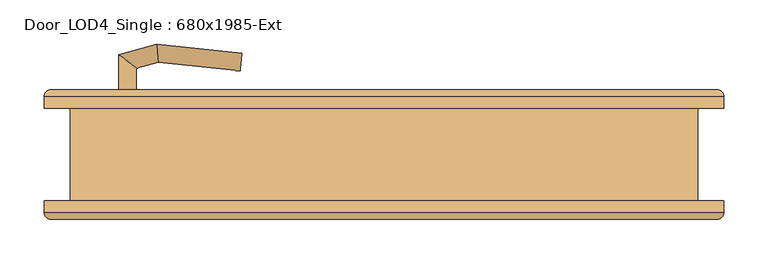
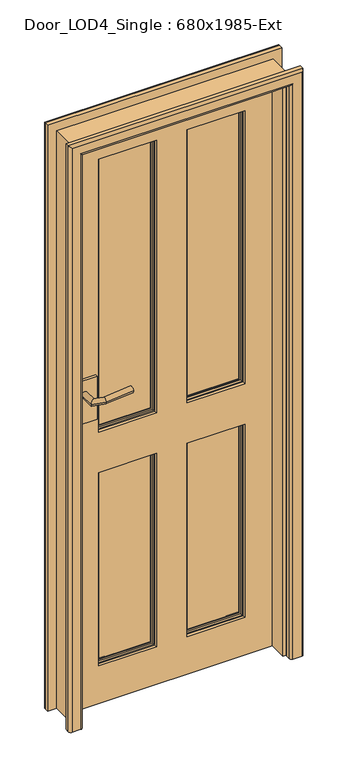
"""IFC4 building model written with IfcOpenShell, lengths in millimetres: door geometry, Door_LOD4_Single : 680x1985-Ext."""

from ifc_helpers import new_model, si_unit, frame, origin, place, context, project, spatial, polyline, circle_curve, ellipse_curve, outline, extrude, faceted_brep, source, transform, mapped, element, save
from ifc_brep_helpers import plane_surface, cylinder_surface, advanced_brep


def door_lod4_single_680x1985_ext_60f936e3(model_context):
    return source(origin(), model_context, "Body", "SolidModel", [
        advanced_brep(
        [(240.0000136, 22.5, 130.0), (240.0000136, 22.5, 800.0), (50.0, 22.5, 800.0), (50.0, 22.5, 130.0), (53.6443449, 22.5, 133.6443449), (53.6443449, 22.5, 796.3556551), (236.3556687, 22.5, 796.3556551), (236.3556687, 22.5, 133.6443449), (240.0000136, 42.5, 130.0), (50.0, 42.5, 130.0), (50.0, 42.5, 800.0), (240.0000136, 42.5, 800.0), (53.6443449, 42.5, 796.3556551), (53.6443449, 42.5, 133.6443449), (236.3556687, 42.5, 133.6443449), (236.3556687, 42.5, 796.3556551), (60.5, 34.8125, 789.5), (60.5, 34.8125, 140.5), (60.5, 37.8125, 140.5), (60.5, 37.8125, 789.5), (229.5000136, 34.8125, 140.5), (229.5000136, 37.8125, 140.5), (229.5000136, 34.8125, 789.5), (229.5000136, 37.8125, 789.5), (55.9375, 37.8125, 135.9375), (55.9375, 37.8125, 794.0625), (234.0625136, 37.8125, 794.0625), (234.0625136, 37.8125, 135.9375), (60.5, 27.1875, 789.5), (60.5, 27.1875, 140.5), (60.5, 30.1875, 140.5), (60.5, 30.1875, 789.5), (229.5000136, 27.1875, 140.5), (229.5000136, 30.1875, 140.5), (229.5000136, 27.1875, 789.5), (229.5000136, 30.1875, 789.5), (55.9375, 27.1875, 794.0625), (55.9375, 27.1875, 135.9375), (234.0625136, 27.1875, 135.9375), (234.0625136, 27.1875, 794.0625)],
        [
            (0, 1),
            (1, 2),
            (2, 3),
            (3, 0),
            (4, 5),
            (5, 6),
            (6, 7),
            (7, 4),
            (8, 9),
            (9, 10),
            (10, 11),
            (11, 8),
            (12, 13),
            (13, 14),
            (14, 15),
            (15, 12),
            (0, 8),
            (11, 1),
            (10, 2),
            (9, 3),
            (16, 17),
            (17, 18),
            (18, 19),
            (19, 16),
            (17, 20),
            (20, 21),
            (21, 18),
            (20, 22),
            (22, 23),
            (23, 21),
            (24, 25),
            (25, 26),
            (26, 27),
            (27, 24),
            (23, 19),
            (22, 16),
            (24, 13, ellipse_curve(frame((50.0, 37.8125, 130.0), z_axis=(-0.7071067811865475, 0.0, 0.7071067811865475), x_axis=(-0.7071067811865474, 0.0, -0.7071067811865476)), 8.396893, 5.9375)),
            (12, 25, ellipse_curve(frame((50.0, 37.8125, 800.0), z_axis=(-0.7071067811865475, 0.0, -0.7071067811865475), x_axis=(0.7071067811865474, 0.0, -0.7071067811865476)), 8.396893, 5.9375)),
            (27, 14, ellipse_curve(frame((240.0000136, 37.8125, 130.0), z_axis=(-0.7071067811865475, 0.0, -0.7071067811865475), x_axis=(0.7071067811865476, 0.0, -0.7071067811865474)), 8.396893, 5.9375)),
            (26, 15, ellipse_curve(frame((240.0000136, 37.8125, 800.0), z_axis=(0.7071067811865475, 0.0, -0.7071067811865475), x_axis=(0.7071067811865474, 0.0, 0.7071067811865476)), 8.396893, 5.9375)),
            (28, 29),
            (29, 30),
            (30, 31),
            (31, 28),
            (29, 32),
            (32, 33),
            (33, 30),
            (32, 34),
            (34, 35),
            (35, 33),
            (36, 37),
            (37, 38),
            (38, 39),
            (39, 36),
            (28, 34),
            (31, 35),
            (36, 5, ellipse_curve(frame((50.0, 27.1875, 800.0), z_axis=(-0.7071067811865475, 0.0, -0.7071067811865475), x_axis=(0.7071067811865474, 0.0, -0.7071067811865476)), 8.396893, 5.9375)),
            (4, 37, ellipse_curve(frame((50.0, 27.1875, 130.0), z_axis=(-0.7071067811865475, 0.0, 0.7071067811865475), x_axis=(-0.7071067811865474, 0.0, -0.7071067811865476)), 8.396893, 5.9375)),
            (7, 38, ellipse_curve(frame((240.0000136, 27.1875, 130.0), z_axis=(-0.7071067811865475, 0.0, -0.7071067811865475), x_axis=(0.7071067811865476, 0.0, -0.7071067811865474)), 8.396893, 5.9375)),
            (6, 39, ellipse_curve(frame((240.0000136, 27.1875, 800.0), z_axis=(0.7071067811865475, 0.0, -0.7071067811865475), x_axis=(0.7071067811865474, 0.0, 0.7071067811865476)), 8.396893, 5.9375)),
        ],
        [
            plane_surface(frame((240.0000136, 22.5, 130.0), z_axis=(0.0, -1.0, 0.0), x_axis=(0.0, 0.0, 1.0))),
            plane_surface(frame((240.0000136, 42.5, 130.0), z_axis=(0.0, 1.0, 0.0), x_axis=(0.0, 0.0, -1.0))),
            plane_surface(frame((240.0000136, 22.5, 130.0), z_axis=(1.0, 0.0, 0.0), x_axis=(0.0, 1.0, 0.0))),
            plane_surface(frame((240.0000136, 22.5, 800.0), z_axis=(0.0, 0.0, 1.0), x_axis=(0.0, 1.0, 0.0))),
            plane_surface(frame((50.0, 22.5, 800.0), z_axis=(-1.0, 0.0, 0.0), x_axis=(0.0, 1.0, 0.0))),
            plane_surface(frame((50.0, 22.5, 130.0), z_axis=(0.0, 0.0, -1.0), x_axis=(0.0, 1.0, 0.0))),
            plane_surface(frame((60.5, 37.8125, 789.5), z_axis=(1.0, 0.0, 0.0), x_axis=(0.0, 0.0, -1.0))),
            plane_surface(frame((60.5, 37.8125, 140.5), z_axis=(0.0, 0.0, 1.0), x_axis=(1.0, 0.0, 0.0))),
            plane_surface(frame((229.5000136, 37.8125, 140.5), z_axis=(-1.0, 0.0, 0.0), x_axis=(0.0, 0.0, 1.0))),
            plane_surface(frame((234.0625136, 37.8125, 794.0625), z_axis=(0.0, 1.0, 0.0), x_axis=(-1.0, 0.0, 0.0))),
            plane_surface(frame((229.5000136, 37.8125, 789.5), z_axis=(0.0, 0.0, -1.0), x_axis=(-1.0, 0.0, 0.0))),
            plane_surface(frame((229.5000136, 34.8125, 789.5), z_axis=(0.0, 1.0, 0.0), x_axis=(-1.0, 0.0, 0.0))),
            cylinder_surface(frame((50.0, 37.8125, 800.0), z_axis=(0.0, 0.0, -1.0), x_axis=(-1.0, 0.0, 0.0)), 5.9375),
            cylinder_surface(frame((50.0, 37.8125, 130.0), z_axis=(1.0, 0.0, 0.0), x_axis=(0.0, 0.0, -1.0)), 5.9375),
            cylinder_surface(frame((240.0000136, 37.8125, 130.0), z_axis=(0.0, 0.0, 1.0), x_axis=(1.0, 0.0, 0.0)), 5.9375),
            cylinder_surface(frame((240.0000136, 37.8125, 800.0), z_axis=(-1.0, 0.0, 0.0), x_axis=(0.0, 0.0, 1.0)), 5.9375),
            plane_surface(frame((60.5, 30.1875, 789.5), z_axis=(1.0, 0.0, 0.0), x_axis=(0.0, 0.0, -1.0))),
            plane_surface(frame((60.5, 30.1875, 140.5), z_axis=(0.0, 0.0, 1.0), x_axis=(1.0, 0.0, 0.0))),
            plane_surface(frame((229.5000136, 30.1875, 140.5), z_axis=(-1.0, 0.0, 0.0), x_axis=(0.0, 0.0, 1.0))),
            plane_surface(frame((229.5000136, 27.1875, 789.5), z_axis=(0.0, -1.0, 0.0), x_axis=(-1.0, 0.0, 0.0))),
            plane_surface(frame((229.5000136, 30.1875, 789.5), z_axis=(0.0, 0.0, -1.0), x_axis=(-1.0, 0.0, 0.0))),
            plane_surface(frame((206.5442612, 30.1875, 766.5442476), z_axis=(0.0, -1.0, 0.0), x_axis=(-1.0, 0.0, 0.0))),
            cylinder_surface(frame((50.0, 27.1875, 800.0), z_axis=(0.0, 0.0, -1.0), x_axis=(1.0, 0.0, 0.0)), 5.9375),
            cylinder_surface(frame((50.0, 27.1875, 130.0), z_axis=(1.0, 0.0, 0.0), x_axis=(0.0, 0.0, 1.0)), 5.9375),
            cylinder_surface(frame((240.0000136, 27.1875, 130.0), z_axis=(0.0, 0.0, 1.0), x_axis=(-1.0, 0.0, 0.0)), 5.9375),
            cylinder_surface(frame((240.0000136, 27.1875, 800.0), z_axis=(-1.0, 0.0, 0.0), x_axis=(0.0, 0.0, -1.0)), 5.9375),
        ],
        [
            (0, [[1, 2, 3, 4], [5, 6, 7, 8]]),
            (1, [[9, 10, 11, 12], [13, 14, 15, 16]]),
            (2, [[-1, 17, -12, 18]]),
            (3, [[-2, -18, -11, 19]]),
            (4, [[-3, -19, -10, 20]]),
            (5, [[-4, -20, -9, -17]]),
            (6, [[21, 22, 23, 24]]),
            (7, [[-22, 25, 26, 27]]),
            (8, [[-26, 28, 29, 30]]),
            (9, [[31, 32, 33, 34], [-23, -27, -30, 35]]),
            (10, [[-24, -35, -29, 36]]),
            (11, [[-21, -36, -28, -25]]),
            (12, [[-31, 37, -13, 38]]),
            (13, [[-34, 39, -14, -37]]),
            (14, [[-33, 40, -15, -39]]),
            (15, [[-32, -38, -16, -40]]),
            (16, [[41, 42, 43, 44]]),
            (17, [[-42, 45, 46, 47]]),
            (18, [[-46, 48, 49, 50]]),
            (19, [[51, 52, 53, 54], [-41, 55, -48, -45]]),
            (20, [[-44, 56, -49, -55]]),
            (21, [[-43, -47, -50, -56]]),
            (22, [[-51, 57, -5, 58]]),
            (23, [[-52, -58, -8, 59]]),
            (24, [[-53, -59, -7, 60]]),
            (25, [[-54, -60, -6, -57]]),
        ],
    ),
        advanced_brep(
        [(-50.0, 22.5, 130.0), (-50.0, 22.5, 800.0), (-240.0000136, 22.5, 800.0), (-240.0000136, 22.5, 130.0), (-236.3556687, 22.5, 133.6443449), (-236.3556687, 22.5, 796.3556551), (-53.6443449, 22.5, 796.3556551), (-53.6443449, 22.5, 133.6443449), (-50.0, 42.5, 130.0), (-240.0000136, 42.5, 130.0), (-240.0000136, 42.5, 800.0), (-50.0, 42.5, 800.0), (-236.3556687, 42.5, 796.3556551), (-236.3556687, 42.5, 133.6443449), (-53.6443449, 42.5, 133.6443449), (-53.6443449, 42.5, 796.3556551), (-229.5000136, 34.8125, 789.5), (-229.5000136, 34.8125, 140.5), (-229.5000136, 37.8125, 140.5), (-229.5000136, 37.8125, 789.5), (-60.5, 34.8125, 140.5), (-60.5, 37.8125, 140.5), (-60.5, 34.8125, 789.5), (-60.5, 37.8125, 789.5), (-234.0625136, 37.8125, 135.9375), (-234.0625136, 37.8125, 794.0625), (-55.9375, 37.8125, 794.0625), (-55.9375, 37.8125, 135.9375), (-229.5000136, 27.1875, 789.5), (-229.5000136, 27.1875, 140.5), (-229.5000136, 30.1875, 140.5), (-229.5000136, 30.1875, 789.5), (-60.5, 27.1875, 140.5), (-60.5, 30.1875, 140.5), (-60.5, 27.1875, 789.5), (-60.5, 30.1875, 789.5), (-234.0625136, 27.1875, 794.0625), (-234.0625136, 27.1875, 135.9375), (-55.9375, 27.1875, 135.9375), (-55.9375, 27.1875, 794.0625)],
        [
            (0, 1),
            (1, 2),
            (2, 3),
            (3, 0),
            (4, 5),
            (5, 6),
            (6, 7),
            (7, 4),
            (8, 9),
            (9, 10),
            (10, 11),
            (11, 8),
            (12, 13),
            (13, 14),
            (14, 15),
            (15, 12),
            (0, 8),
            (11, 1),
            (10, 2),
            (9, 3),
            (16, 17),
            (17, 18),
            (18, 19),
            (19, 16),
            (17, 20),
            (20, 21),
            (21, 18),
            (20, 22),
            (22, 23),
            (23, 21),
            (24, 25),
            (25, 26),
            (26, 27),
            (27, 24),
            (23, 19),
            (22, 16),
            (24, 13, ellipse_curve(frame((-240.0000136, 37.8125, 130.0), z_axis=(-0.7071067811865475, 0.0, 0.7071067811865475), x_axis=(-0.7071067811865474, 0.0, -0.7071067811865476)), 8.396893, 5.9375)),
            (12, 25, ellipse_curve(frame((-240.0000136, 37.8125, 800.0), z_axis=(-0.7071067811865475, 0.0, -0.7071067811865475), x_axis=(0.7071067811865474, 0.0, -0.7071067811865476)), 8.396893, 5.9375)),
            (27, 14, ellipse_curve(frame((-50.0, 37.8125, 130.0), z_axis=(-0.7071067811865475, 0.0, -0.7071067811865475), x_axis=(0.7071067811865476, 0.0, -0.7071067811865474)), 8.396893, 5.9375)),
            (26, 15, ellipse_curve(frame((-50.0, 37.8125, 800.0), z_axis=(0.7071067811865475, 0.0, -0.7071067811865475), x_axis=(0.7071067811865474, 0.0, 0.7071067811865476)), 8.396893, 5.9375)),
            (28, 29),
            (29, 30),
            (30, 31),
            (31, 28),
            (29, 32),
            (32, 33),
            (33, 30),
            (32, 34),
            (34, 35),
            (35, 33),
            (36, 37),
            (37, 38),
            (38, 39),
            (39, 36),
            (28, 34),
            (31, 35),
            (36, 5, ellipse_curve(frame((-240.0000136, 27.1875, 800.0), z_axis=(-0.7071067811865475, 0.0, -0.7071067811865475), x_axis=(0.7071067811865474, 0.0, -0.7071067811865476)), 8.396893, 5.9375)),
            (4, 37, ellipse_curve(frame((-240.0000136, 27.1875, 130.0), z_axis=(-0.7071067811865475, 0.0, 0.7071067811865475), x_axis=(-0.7071067811865474, 0.0, -0.7071067811865476)), 8.396893, 5.9375)),
            (7, 38, ellipse_curve(frame((-50.0, 27.1875, 130.0), z_axis=(-0.7071067811865475, 0.0, -0.7071067811865475), x_axis=(0.7071067811865476, 0.0, -0.7071067811865474)), 8.396893, 5.9375)),
            (6, 39, ellipse_curve(frame((-50.0, 27.1875, 800.0), z_axis=(0.7071067811865475, 0.0, -0.7071067811865475), x_axis=(0.7071067811865474, 0.0, 0.7071067811865476)), 8.396893, 5.9375)),
        ],
        [
            plane_surface(frame((-50.0, 22.5, 130.0), z_axis=(0.0, -1.0, 0.0), x_axis=(0.0, 0.0, 1.0))),
            plane_surface(frame((-50.0, 42.5, 130.0), z_axis=(0.0, 1.0, 0.0), x_axis=(0.0, 0.0, -1.0))),
            plane_surface(frame((-50.0, 22.5, 130.0), z_axis=(1.0, 0.0, 0.0), x_axis=(0.0, 1.0, 0.0))),
            plane_surface(frame((-50.0, 22.5, 800.0), z_axis=(0.0, 0.0, 1.0), x_axis=(0.0, 1.0, 0.0))),
            plane_surface(frame((-240.0000136, 22.5, 800.0), z_axis=(-1.0, 0.0, 0.0), x_axis=(0.0, 1.0, 0.0))),
            plane_surface(frame((-240.0000136, 22.5, 130.0), z_axis=(0.0, 0.0, -1.0), x_axis=(0.0, 1.0, 0.0))),
            plane_surface(frame((-229.5000136, 37.8125, 789.5), z_axis=(1.0, 0.0, 0.0), x_axis=(0.0, 0.0, -1.0))),
            plane_surface(frame((-229.5000136, 37.8125, 140.5), z_axis=(0.0, 0.0, 1.0), x_axis=(1.0, 0.0, 0.0))),
            plane_surface(frame((-60.5, 37.8125, 140.5), z_axis=(-1.0, 0.0, 0.0), x_axis=(0.0, 0.0, 1.0))),
            plane_surface(frame((-55.9375, 37.8125, 794.0625), z_axis=(0.0, 1.0, 0.0), x_axis=(-1.0, 0.0, 0.0))),
            plane_surface(frame((-60.5, 37.8125, 789.5), z_axis=(0.0, 0.0, -1.0), x_axis=(-1.0, 0.0, 0.0))),
            plane_surface(frame((-60.5, 34.8125, 789.5), z_axis=(0.0, 1.0, 0.0), x_axis=(-1.0, 0.0, 0.0))),
            cylinder_surface(frame((-240.0000136, 37.8125, 800.0), z_axis=(0.0, 0.0, -1.0), x_axis=(-1.0, 0.0, 0.0)), 5.9375),
            cylinder_surface(frame((-240.0000136, 37.8125, 130.0), z_axis=(1.0, 0.0, 0.0), x_axis=(0.0, 0.0, -1.0)), 5.9375),
            cylinder_surface(frame((-50.0, 37.8125, 130.0), z_axis=(0.0, 0.0, 1.0), x_axis=(1.0, 0.0, 0.0)), 5.9375),
            cylinder_surface(frame((-50.0, 37.8125, 800.0), z_axis=(-1.0, 0.0, 0.0), x_axis=(0.0, 0.0, 1.0)), 5.9375),
            plane_surface(frame((-229.5000136, 30.1875, 789.5), z_axis=(1.0, 0.0, 0.0), x_axis=(0.0, 0.0, -1.0))),
            plane_surface(frame((-229.5000136, 30.1875, 140.5), z_axis=(0.0, 0.0, 1.0), x_axis=(1.0, 0.0, 0.0))),
            plane_surface(frame((-60.5, 30.1875, 140.5), z_axis=(-1.0, 0.0, 0.0), x_axis=(0.0, 0.0, 1.0))),
            plane_surface(frame((-60.5, 27.1875, 789.5), z_axis=(0.0, -1.0, 0.0), x_axis=(-1.0, 0.0, 0.0))),
            plane_surface(frame((-60.5, 30.1875, 789.5), z_axis=(0.0, 0.0, -1.0), x_axis=(-1.0, 0.0, 0.0))),
            plane_surface(frame((-83.4557524, 30.1875, 766.5442476), z_axis=(0.0, -1.0, 0.0), x_axis=(-1.0, 0.0, 0.0))),
            cylinder_surface(frame((-240.0000136, 27.1875, 800.0), z_axis=(0.0, 0.0, -1.0), x_axis=(1.0, 0.0, 0.0)), 5.9375),
            cylinder_surface(frame((-240.0000136, 27.1875, 130.0), z_axis=(1.0, 0.0, 0.0), x_axis=(0.0, 0.0, 1.0)), 5.9375),
            cylinder_surface(frame((-50.0, 27.1875, 130.0), z_axis=(0.0, 0.0, 1.0), x_axis=(-1.0, 0.0, 0.0)), 5.9375),
            cylinder_surface(frame((-50.0, 27.1875, 800.0), z_axis=(-1.0, 0.0, 0.0), x_axis=(0.0, 0.0, -1.0)), 5.9375),
        ],
        [
            (0, [[1, 2, 3, 4], [5, 6, 7, 8]]),
            (1, [[9, 10, 11, 12], [13, 14, 15, 16]]),
            (2, [[-1, 17, -12, 18]]),
            (3, [[-2, -18, -11, 19]]),
            (4, [[-3, -19, -10, 20]]),
            (5, [[-4, -20, -9, -17]]),
            (6, [[21, 22, 23, 24]]),
            (7, [[-22, 25, 26, 27]]),
            (8, [[-26, 28, 29, 30]]),
            (9, [[31, 32, 33, 34], [-23, -27, -30, 35]]),
            (10, [[-24, -35, -29, 36]]),
            (11, [[-21, -36, -28, -25]]),
            (12, [[-31, 37, -13, 38]]),
            (13, [[-34, 39, -14, -37]]),
            (14, [[-33, 40, -15, -39]]),
            (15, [[-32, -38, -16, -40]]),
            (16, [[41, 42, 43, 44]]),
            (17, [[-42, 45, 46, 47]]),
            (18, [[-46, 48, 49, 50]]),
            (19, [[51, 52, 53, 54], [-41, 55, -48, -45]]),
            (20, [[-44, 56, -49, -55]]),
            (21, [[-43, -47, -50, -56]]),
            (22, [[-51, 57, -5, 58]]),
            (23, [[-52, -58, -8, 59]]),
            (24, [[-53, -59, -7, 60]]),
            (25, [[-54, -60, -6, -57]]),
        ],
    ),
        advanced_brep(
        [(240.0000136, 22.5, 940.0), (240.0000136, 22.5, 1885.0000795), (50.0, 22.5, 1885.0000795), (50.0, 22.5, 940.0), (53.6443449, 22.5, 943.6443449), (53.6443449, 22.5, 1881.3557346), (236.3556687, 22.5, 1881.3557346), (236.3556687, 22.5, 943.6443449), (240.0000136, 42.5, 940.0), (50.0, 42.5, 940.0), (50.0, 42.5, 1885.0000795), (240.0000136, 42.5, 1885.0000795), (53.6443449, 42.5, 1881.3557346), (53.6443449, 42.5, 943.6443449), (236.3556687, 42.5, 943.6443449), (236.3556687, 42.5, 1881.3557346), (60.5, 34.8125, 1874.5000795), (60.5, 34.8125, 950.5), (60.5, 37.8125, 950.5), (60.5, 37.8125, 1874.5000795), (229.5000136, 34.8125, 950.5), (229.5000136, 37.8125, 950.5), (229.5000136, 34.8125, 1874.5000795), (229.5000136, 37.8125, 1874.5000795), (55.9375, 37.8125, 945.9375), (55.9375, 37.8125, 1879.0625795), (234.0625136, 37.8125, 1879.0625795), (234.0625136, 37.8125, 945.9375), (60.5, 27.1875, 1874.5000795), (60.5, 27.1875, 950.5), (60.5, 30.1875, 950.5), (60.5, 30.1875, 1874.5000795), (229.5000136, 27.1875, 950.5), (229.5000136, 30.1875, 950.5), (229.5000136, 27.1875, 1874.5000795), (229.5000136, 30.1875, 1874.5000795), (55.9375, 27.1875, 1879.0625795), (55.9375, 27.1875, 945.9375), (234.0625136, 27.1875, 945.9375), (234.0625136, 27.1875, 1879.0625795)],
        [
            (0, 1),
            (1, 2),
            (2, 3),
            (3, 0),
            (4, 5),
            (5, 6),
            (6, 7),
            (7, 4),
            (8, 9),
            (9, 10),
            (10, 11),
            (11, 8),
            (12, 13),
            (13, 14),
            (14, 15),
            (15, 12),
            (0, 8),
            (11, 1),
            (10, 2),
            (9, 3),
            (16, 17),
            (17, 18),
            (18, 19),
            (19, 16),
            (17, 20),
            (20, 21),
            (21, 18),
            (20, 22),
            (22, 23),
            (23, 21),
            (24, 25),
            (25, 26),
            (26, 27),
            (27, 24),
            (23, 19),
            (22, 16),
            (24, 13, ellipse_curve(frame((50.0, 37.8125, 940.0), z_axis=(-0.7071067811865475, 0.0, 0.7071067811865475), x_axis=(-0.7071067811865474, 0.0, -0.7071067811865476)), 8.396893, 5.9375)),
            (12, 25, ellipse_curve(frame((50.0, 37.8125, 1885.0000795), z_axis=(-0.7071067811865475, 0.0, -0.7071067811865475), x_axis=(0.7071067811865474, 0.0, -0.7071067811865476)), 8.396893, 5.9375)),
            (27, 14, ellipse_curve(frame((240.0000136, 37.8125, 940.0), z_axis=(-0.7071067811865475, 0.0, -0.7071067811865475), x_axis=(0.7071067811865476, 0.0, -0.7071067811865474)), 8.396893, 5.9375)),
            (26, 15, ellipse_curve(frame((240.0000136, 37.8125, 1885.0000795), z_axis=(0.7071067811865475, 0.0, -0.7071067811865475), x_axis=(0.7071067811865474, 0.0, 0.7071067811865476)), 8.396893, 5.9375)),
            (28, 29),
            (29, 30),
            (30, 31),
            (31, 28),
            (29, 32),
            (32, 33),
            (33, 30),
            (32, 34),
            (34, 35),
            (35, 33),
            (36, 37),
            (37, 38),
            (38, 39),
            (39, 36),
            (28, 34),
            (31, 35),
            (36, 5, ellipse_curve(frame((50.0, 27.1875, 1885.0000795), z_axis=(-0.7071067811865475, 0.0, -0.7071067811865475), x_axis=(0.7071067811865474, 0.0, -0.7071067811865476)), 8.396893, 5.9375)),
            (4, 37, ellipse_curve(frame((50.0, 27.1875, 940.0), z_axis=(-0.7071067811865475, 0.0, 0.7071067811865475), x_axis=(-0.7071067811865474, 0.0, -0.7071067811865476)), 8.396893, 5.9375)),
            (7, 38, ellipse_curve(frame((240.0000136, 27.1875, 940.0), z_axis=(-0.7071067811865475, 0.0, -0.7071067811865475), x_axis=(0.7071067811865476, 0.0, -0.7071067811865474)), 8.396893, 5.9375)),
            (6, 39, ellipse_curve(frame((240.0000136, 27.1875, 1885.0000795), z_axis=(0.7071067811865475, 0.0, -0.7071067811865475), x_axis=(0.7071067811865474, 0.0, 0.7071067811865476)), 8.396893, 5.9375)),
        ],
        [
            plane_surface(frame((240.0000136, 22.5, 940.0), z_axis=(0.0, -1.0, 0.0), x_axis=(0.0, 0.0, 1.0))),
            plane_surface(frame((240.0000136, 42.5, 940.0), z_axis=(0.0, 1.0, 0.0), x_axis=(0.0, 0.0, -1.0))),
            plane_surface(frame((240.0000136, 22.5, 940.0), z_axis=(1.0, 0.0, 0.0), x_axis=(0.0, 1.0, 0.0))),
            plane_surface(frame((240.0000136, 22.5, 1885.0000795), z_axis=(0.0, 0.0, 1.0), x_axis=(0.0, 1.0, 0.0))),
            plane_surface(frame((50.0, 22.5, 1885.0000795), z_axis=(-1.0, 0.0, 0.0), x_axis=(0.0, 1.0, 0.0))),
            plane_surface(frame((50.0, 22.5, 940.0), z_axis=(0.0, 0.0, -1.0), x_axis=(0.0, 1.0, 0.0))),
            plane_surface(frame((60.5, 37.8125, 1874.5000795), z_axis=(1.0, 0.0, 0.0), x_axis=(0.0, 0.0, -1.0))),
            plane_surface(frame((60.5, 37.8125, 950.5), z_axis=(0.0, 0.0, 1.0), x_axis=(1.0, 0.0, 0.0))),
            plane_surface(frame((229.5000136, 37.8125, 950.5), z_axis=(-1.0, 0.0, 0.0), x_axis=(0.0, 0.0, 1.0))),
            plane_surface(frame((234.0625136, 37.8125, 1879.0625795), z_axis=(0.0, 1.0, 0.0), x_axis=(-1.0, 0.0, 0.0))),
            plane_surface(frame((229.5000136, 37.8125, 1874.5000795), z_axis=(0.0, 0.0, -1.0), x_axis=(-1.0, 0.0, 0.0))),
            plane_surface(frame((229.5000136, 34.8125, 1874.5000795), z_axis=(0.0, 1.0, 0.0), x_axis=(-1.0, 0.0, 0.0))),
            cylinder_surface(frame((50.0, 37.8125, 1885.0000795), z_axis=(0.0, 0.0, -1.0), x_axis=(-1.0, 0.0, 0.0)), 5.9375),
            cylinder_surface(frame((50.0, 37.8125, 940.0), z_axis=(1.0, 0.0, 0.0), x_axis=(0.0, 0.0, -1.0)), 5.9375),
            cylinder_surface(frame((240.0000136, 37.8125, 940.0), z_axis=(0.0, 0.0, 1.0), x_axis=(1.0, 0.0, 0.0)), 5.9375),
            cylinder_surface(frame((240.0000136, 37.8125, 1885.0000795), z_axis=(-1.0, 0.0, 0.0), x_axis=(0.0, 0.0, 1.0)), 5.9375),
            plane_surface(frame((60.5, 30.1875, 1874.5000795), z_axis=(1.0, 0.0, 0.0), x_axis=(0.0, 0.0, -1.0))),
            plane_surface(frame((60.5, 30.1875, 950.5), z_axis=(0.0, 0.0, 1.0), x_axis=(1.0, 0.0, 0.0))),
            plane_surface(frame((229.5000136, 30.1875, 950.5), z_axis=(-1.0, 0.0, 0.0), x_axis=(0.0, 0.0, 1.0))),
            plane_surface(frame((229.5000136, 27.1875, 1874.5000795), z_axis=(0.0, -1.0, 0.0), x_axis=(-1.0, 0.0, 0.0))),
            plane_surface(frame((229.5000136, 30.1875, 1874.5000795), z_axis=(0.0, 0.0, -1.0), x_axis=(-1.0, 0.0, 0.0))),
            plane_surface(frame((206.5442612, 30.1875, 1851.5443271), z_axis=(0.0, -1.0, 0.0), x_axis=(-1.0, 0.0, 0.0))),
            cylinder_surface(frame((50.0, 27.1875, 1885.0000795), z_axis=(0.0, 0.0, -1.0), x_axis=(1.0, 0.0, 0.0)), 5.9375),
            cylinder_surface(frame((50.0, 27.1875, 940.0), z_axis=(1.0, 0.0, 0.0), x_axis=(0.0, 0.0, 1.0)), 5.9375),
            cylinder_surface(frame((240.0000136, 27.1875, 940.0), z_axis=(0.0, 0.0, 1.0), x_axis=(-1.0, 0.0, 0.0)), 5.9375),
            cylinder_surface(frame((240.0000136, 27.1875, 1885.0000795), z_axis=(-1.0, 0.0, 0.0), x_axis=(0.0, 0.0, -1.0)), 5.9375),
        ],
        [
            (0, [[1, 2, 3, 4], [5, 6, 7, 8]]),
            (1, [[9, 10, 11, 12], [13, 14, 15, 16]]),
            (2, [[-1, 17, -12, 18]]),
            (3, [[-2, -18, -11, 19]]),
            (4, [[-3, -19, -10, 20]]),
            (5, [[-4, -20, -9, -17]]),
            (6, [[21, 22, 23, 24]]),
            (7, [[-22, 25, 26, 27]]),
            (8, [[-26, 28, 29, 30]]),
            (9, [[31, 32, 33, 34], [-23, -27, -30, 35]]),
            (10, [[-24, -35, -29, 36]]),
            (11, [[-21, -36, -28, -25]]),
            (12, [[-31, 37, -13, 38]]),
            (13, [[-34, 39, -14, -37]]),
            (14, [[-33, 40, -15, -39]]),
            (15, [[-32, -38, -16, -40]]),
            (16, [[41, 42, 43, 44]]),
            (17, [[-42, 45, 46, 47]]),
            (18, [[-46, 48, 49, 50]]),
            (19, [[51, 52, 53, 54], [-41, 55, -48, -45]]),
            (20, [[-44, 56, -49, -55]]),
            (21, [[-43, -47, -50, -56]]),
            (22, [[-51, 57, -5, 58]]),
            (23, [[-52, -58, -8, 59]]),
            (24, [[-53, -59, -7, 60]]),
            (25, [[-54, -60, -6, -57]]),
        ],
    ),
        advanced_brep(
        [(-50.0, 22.5, 940.0), (-50.0, 22.5, 1885.0000795), (-240.0000136, 22.5, 1885.0000795), (-240.0000136, 22.5, 940.0), (-236.3556687, 22.5, 943.6443449), (-236.3556687, 22.5, 1881.3557346), (-53.6443449, 22.5, 1881.3557346), (-53.6443449, 22.5, 943.6443449), (-50.0, 42.5, 940.0), (-240.0000136, 42.5, 940.0), (-240.0000136, 42.5, 1885.0000795), (-50.0, 42.5, 1885.0000795), (-236.3556687, 42.5, 1881.3557346), (-236.3556687, 42.5, 943.6443449), (-53.6443449, 42.5, 943.6443449), (-53.6443449, 42.5, 1881.3557346), (-229.5000136, 34.8125, 1874.5000795), (-229.5000136, 34.8125, 950.5), (-229.5000136, 37.8125, 950.5), (-229.5000136, 37.8125, 1874.5000795), (-60.5, 34.8125, 950.5), (-60.5, 37.8125, 950.5), (-60.5, 34.8125, 1874.5000795), (-60.5, 37.8125, 1874.5000795), (-234.0625136, 37.8125, 945.9375), (-234.0625136, 37.8125, 1879.0625795), (-55.9375, 37.8125, 1879.0625795), (-55.9375, 37.8125, 945.9375), (-229.5000136, 27.1875, 1874.5000795), (-229.5000136, 27.1875, 950.5), (-229.5000136, 30.1875, 950.5), (-229.5000136, 30.1875, 1874.5000795), (-60.5, 27.1875, 950.5), (-60.5, 30.1875, 950.5), (-60.5, 27.1875, 1874.5000795), (-60.5, 30.1875, 1874.5000795), (-234.0625136, 27.1875, 1879.0625795), (-234.0625136, 27.1875, 945.9375), (-55.9375, 27.1875, 945.9375), (-55.9375, 27.1875, 1879.0625795)],
        [
            (0, 1),
            (1, 2),
            (2, 3),
            (3, 0),
            (4, 5),
            (5, 6),
            (6, 7),
            (7, 4),
            (8, 9),
            (9, 10),
            (10, 11),
            (11, 8),
            (12, 13),
            (13, 14),
            (14, 15),
            (15, 12),
            (0, 8),
            (11, 1),
            (10, 2),
            (9, 3),
            (16, 17),
            (17, 18),
            (18, 19),
            (19, 16),
            (17, 20),
            (20, 21),
            (21, 18),
            (20, 22),
            (22, 23),
            (23, 21),
            (24, 25),
            (25, 26),
            (26, 27),
            (27, 24),
            (23, 19),
            (22, 16),
            (24, 13, ellipse_curve(frame((-240.0000136, 37.8125, 940.0), z_axis=(-0.7071067811865475, 0.0, 0.7071067811865475), x_axis=(-0.7071067811865474, 0.0, -0.7071067811865476)), 8.396893, 5.9375)),
            (12, 25, ellipse_curve(frame((-240.0000136, 37.8125, 1885.0000795), z_axis=(-0.7071067811865475, 0.0, -0.7071067811865475), x_axis=(0.7071067811865474, 0.0, -0.7071067811865476)), 8.396893, 5.9375)),
            (27, 14, ellipse_curve(frame((-50.0, 37.8125, 940.0), z_axis=(-0.7071067811865475, 0.0, -0.7071067811865475), x_axis=(0.7071067811865476, 0.0, -0.7071067811865474)), 8.396893, 5.9375)),
            (26, 15, ellipse_curve(frame((-50.0, 37.8125, 1885.0000795), z_axis=(0.7071067811865475, 0.0, -0.7071067811865475), x_axis=(0.7071067811865474, 0.0, 0.7071067811865476)), 8.396893, 5.9375)),
            (28, 29),
            (29, 30),
            (30, 31),
            (31, 28),
            (29, 32),
            (32, 33),
            (33, 30),
            (32, 34),
            (34, 35),
            (35, 33),
            (36, 37),
            (37, 38),
            (38, 39),
            (39, 36),
            (28, 34),
            (31, 35),
            (36, 5, ellipse_curve(frame((-240.0000136, 27.1875, 1885.0000795), z_axis=(-0.7071067811865475, 0.0, -0.7071067811865475), x_axis=(0.7071067811865474, 0.0, -0.7071067811865476)), 8.396893, 5.9375)),
            (4, 37, ellipse_curve(frame((-240.0000136, 27.1875, 940.0), z_axis=(-0.7071067811865475, 0.0, 0.7071067811865475), x_axis=(-0.7071067811865474, 0.0, -0.7071067811865476)), 8.396893, 5.9375)),
            (7, 38, ellipse_curve(frame((-50.0, 27.1875, 940.0), z_axis=(-0.7071067811865475, 0.0, -0.7071067811865475), x_axis=(0.7071067811865476, 0.0, -0.7071067811865474)), 8.396893, 5.9375)),
            (6, 39, ellipse_curve(frame((-50.0, 27.1875, 1885.0000795), z_axis=(0.7071067811865475, 0.0, -0.7071067811865475), x_axis=(0.7071067811865474, 0.0, 0.7071067811865476)), 8.396893, 5.9375)),
        ],
        [
            plane_surface(frame((-50.0, 22.5, 940.0), z_axis=(0.0, -1.0, 0.0), x_axis=(0.0, 0.0, 1.0))),
            plane_surface(frame((-50.0, 42.5, 940.0), z_axis=(0.0, 1.0, 0.0), x_axis=(0.0, 0.0, -1.0))),
            plane_surface(frame((-50.0, 22.5, 940.0), z_axis=(1.0, 0.0, 0.0), x_axis=(0.0, 1.0, 0.0))),
            plane_surface(frame((-50.0, 22.5, 1885.0000795), z_axis=(0.0, 0.0, 1.0), x_axis=(0.0, 1.0, 0.0))),
            plane_surface(frame((-240.0000136, 22.5, 1885.0000795), z_axis=(-1.0, 0.0, 0.0), x_axis=(0.0, 1.0, 0.0))),
            plane_surface(frame((-240.0000136, 22.5, 940.0), z_axis=(0.0, 0.0, -1.0), x_axis=(0.0, 1.0, 0.0))),
            plane_surface(frame((-229.5000136, 37.8125, 1874.5000795), z_axis=(1.0, 0.0, 0.0), x_axis=(0.0, 0.0, -1.0))),
            plane_surface(frame((-229.5000136, 37.8125, 950.5), z_axis=(0.0, 0.0, 1.0), x_axis=(1.0, 0.0, 0.0))),
            plane_surface(frame((-60.5, 37.8125, 950.5), z_axis=(-1.0, 0.0, 0.0), x_axis=(0.0, 0.0, 1.0))),
            plane_surface(frame((-55.9375, 37.8125, 1879.0625795), z_axis=(0.0, 1.0, 0.0), x_axis=(-1.0, 0.0, 0.0))),
            plane_surface(frame((-60.5, 37.8125, 1874.5000795), z_axis=(0.0, 0.0, -1.0), x_axis=(-1.0, 0.0, 0.0))),
            plane_surface(frame((-60.5, 34.8125, 1874.5000795), z_axis=(0.0, 1.0, 0.0), x_axis=(-1.0, 0.0, 0.0))),
            cylinder_surface(frame((-240.0000136, 37.8125, 1885.0000795), z_axis=(0.0, 0.0, -1.0), x_axis=(-1.0, 0.0, 0.0)), 5.9375),
            cylinder_surface(frame((-240.0000136, 37.8125, 940.0), z_axis=(1.0, 0.0, 0.0), x_axis=(0.0, 0.0, -1.0)), 5.9375),
            cylinder_surface(frame((-50.0, 37.8125, 940.0), z_axis=(0.0, 0.0, 1.0), x_axis=(1.0, 0.0, 0.0)), 5.9375),
            cylinder_surface(frame((-50.0, 37.8125, 1885.0000795), z_axis=(-1.0, 0.0, 0.0), x_axis=(0.0, 0.0, 1.0)), 5.9375),
            plane_surface(frame((-229.5000136, 30.1875, 1874.5000795), z_axis=(1.0, 0.0, 0.0), x_axis=(0.0, 0.0, -1.0))),
            plane_surface(frame((-229.5000136, 30.1875, 950.5), z_axis=(0.0, 0.0, 1.0), x_axis=(1.0, 0.0, 0.0))),
            plane_surface(frame((-60.5, 30.1875, 950.5), z_axis=(-1.0, 0.0, 0.0), x_axis=(0.0, 0.0, 1.0))),
            plane_surface(frame((-60.5, 27.1875, 1874.5000795), z_axis=(0.0, -1.0, 0.0), x_axis=(-1.0, 0.0, 0.0))),
            plane_surface(frame((-60.5, 30.1875, 1874.5000795), z_axis=(0.0, 0.0, -1.0), x_axis=(-1.0, 0.0, 0.0))),
            plane_surface(frame((-83.4557524, 30.1875, 1851.5443271), z_axis=(0.0, -1.0, 0.0), x_axis=(-1.0, 0.0, 0.0))),
            cylinder_surface(frame((-240.0000136, 27.1875, 1885.0000795), z_axis=(0.0, 0.0, -1.0), x_axis=(1.0, 0.0, 0.0)), 5.9375),
            cylinder_surface(frame((-240.0000136, 27.1875, 940.0), z_axis=(1.0, 0.0, 0.0), x_axis=(0.0, 0.0, 1.0)), 5.9375),
            cylinder_surface(frame((-50.0, 27.1875, 940.0), z_axis=(0.0, 0.0, 1.0), x_axis=(-1.0, 0.0, 0.0)), 5.9375),
            cylinder_surface(frame((-50.0, 27.1875, 1885.0000795), z_axis=(-1.0, 0.0, 0.0), x_axis=(0.0, 0.0, -1.0)), 5.9375),
        ],
        [
            (0, [[1, 2, 3, 4], [5, 6, 7, 8]]),
            (1, [[9, 10, 11, 12], [13, 14, 15, 16]]),
            (2, [[-1, 17, -12, 18]]),
            (3, [[-2, -18, -11, 19]]),
            (4, [[-3, -19, -10, 20]]),
            (5, [[-4, -20, -9, -17]]),
            (6, [[21, 22, 23, 24]]),
            (7, [[-22, 25, 26, 27]]),
            (8, [[-26, 28, 29, 30]]),
            (9, [[31, 32, 33, 34], [-23, -27, -30, 35]]),
            (10, [[-24, -35, -29, 36]]),
            (11, [[-21, -36, -28, -25]]),
            (12, [[-31, 37, -13, 38]]),
            (13, [[-34, 39, -14, -37]]),
            (14, [[-33, 40, -15, -39]]),
            (15, [[-32, -38, -16, -40]]),
            (16, [[41, 42, 43, 44]]),
            (17, [[-42, 45, 46, 47]]),
            (18, [[-46, 48, 49, 50]]),
            (19, [[51, 52, 53, 54], [-41, 55, -48, -45]]),
            (20, [[-44, 56, -49, -55]]),
            (21, [[-43, -47, -50, -56]]),
            (22, [[-51, 57, -5, 58]]),
            (23, [[-52, -58, -8, 59]]),
            (24, [[-53, -59, -7, 60]]),
            (25, [[-54, -60, -6, -57]]),
        ],
    ),
        extrude(outline(polyline([(1985.0000795, -340.0000136), (0.0, -340.0000136), (0.0, 340.0000136), (1985.0000795, 340.0000136), (1985.0000795, -340.0000136)]), holes=[polyline([(800.0, 240.0000136), (130.0, 240.0000136), (130.0, 50.0), (800.0, 50.0), (800.0, 240.0000136)]), polyline([(1885.0000795, 240.0000136), (940.0, 240.0000136), (940.0, 50.0), (1885.0000795, 50.0), (1885.0000795, 240.0000136)]), polyline([(1885.0000795, -50.0), (940.0, -50.0), (940.0, -240.0000136), (1885.0000795, -240.0000136), (1885.0000795, -50.0)]), polyline([(800.0, -50.0), (130.0, -50.0), (130.0, -240.0000136), (800.0, -240.0000136), (800.0, -50.0)])]), frame((0.0, 12.5, 0.0), z_axis=(0.0, 1.0, 0.0), x_axis=(0.0, 0.0, 1.0)), (0.0, 0.0, 1.0), 40.0),
        advanced_brep(
        [(-300.0000136, 4.5, 1092.5000397), (-280.0000136, 4.5, 1092.5000397), (-280.0000136, -32.8267301, 1092.5000397), (-300.0000136, -48.1732699, 1092.5000397), (-255.3947977, -39.4196778, 1092.5000397), (-256.9904217, -59.6976553, 1092.5000397), (-160.6930693, -49.5736521, 1092.5000397), (-162.7841991, -29.6832731, 1092.5000397)],
        [
            (0, 1, circle_curve(frame((-290.0000136, 4.5, 1092.5000397), z_axis=(0.0, 1.0, 0.0), x_axis=(1.0, 0.0, 0.0)), 10.0)),
            (1, 0, circle_curve(frame((-290.0000136, 4.5, 1092.5000397), z_axis=(0.0, 1.0, 0.0), x_axis=(1.0, 0.0, 0.0)), 10.0)),
            (1, 2),
            (2, 3, ellipse_curve(frame((-290.0000136, -40.5, 1092.5000397), z_axis=(-0.6087614290087403, 0.79335334029122, 0.0), x_axis=(0.7933533402912198, 0.6087614290087406, 0.0)), 12.6047241, 10.0)),
            (3, 0),
            (3, 2, ellipse_curve(frame((-290.0000136, -40.5, 1092.5000397), z_axis=(-0.6087614290087403, 0.79335334029122, 0.0), x_axis=(0.7933533402912198, 0.6087614290087406, 0.0)), 12.6047241, 10.0)),
            (2, 4),
            (4, 5, ellipse_curve(frame((-256.1926097, -49.5586666, 1092.5000397), z_axis=(-0.9969184391323764, 0.07844504903348702, 0.0), x_axis=(0.07844504903348593, 0.9969184391323765, 0.0)), 10.1703292, 10.0)),
            (5, 3),
            (5, 4, ellipse_curve(frame((-256.1926097, -49.5586666, 1092.5000397), z_axis=(-0.9969184391323764, 0.07844504903348702, 0.0), x_axis=(0.07844504903348593, 0.9969184391323765, 0.0)), 10.1703292, 10.0)),
            (6, 7, circle_curve(frame((-161.7386342, -39.6284626, 1092.5000397), z_axis=(0.9945189493358518, 0.10455648909519343, 0.0), x_axis=(-0.10455648909519343, 0.9945189493358518, 0.0)), 10.0)),
            (7, 6, circle_curve(frame((-161.7386342, -39.6284626, 1092.5000397), z_axis=(0.9945189493358518, 0.10455648909519343, 0.0), x_axis=(-0.10455648909519343, 0.9945189493358518, 0.0)), 10.0)),
            (4, 7),
            (6, 5),
        ],
        [
            plane_surface(frame((-290.0000136, 4.5, 1092.5000397), z_axis=(0.0, 1.0, 0.0), x_axis=(0.0, 0.0, 1.0))),
            cylinder_surface(frame((-290.0000136, 4.5, 1092.5000397), z_axis=(0.0, 1.0, 0.0), x_axis=(1.0, 0.0, 0.0)), 10.0),
            cylinder_surface(frame((-290.0000136, -40.5, 1092.5000397), z_axis=(-0.965925826289083, 0.2588190451024665, 0.0), x_axis=(0.2588190451024665, 0.965925826289083, 0.0)), 10.0),
            plane_surface(frame((-161.7386342, -39.6284626, 1092.5000397), z_axis=(0.9945189493358518, 0.10455648909519348, 0.0), x_axis=(0.0, 0.0, 1.0))),
            cylinder_surface(frame((-256.1926097, -49.5586666, 1092.5000397), z_axis=(-0.9945189493358518, -0.10455648909519343, 0.0), x_axis=(-0.10455648909519343, 0.9945189493358518, 0.0)), 10.0),
        ],
        [
            (0, [[1, 2]]),
            (1, [[3, 4, 5, -2]]),
            (1, [[-5, 6, -3, -1]]),
            (2, [[7, 8, 9, -4]]),
            (2, [[-9, 10, -7, -6]]),
            (3, [[11, 12]]),
            (4, [[13, -11, 14, -8]]),
            (4, [[-14, -12, -13, -10]]),
        ],
    ),
        extrude(outline(polyline([(-330.0000136, 4.5), (-330.0000136, 12.5), (-250.0000136, 12.5), (-250.0000136, 4.5), (-330.0000136, 4.5)])), frame((0.0, 0.0, 992.5000397), z_axis=(0.0, 0.0, 1.0), x_axis=(1.0, 0.0, 0.0)), (0.0, 0.0, 1.0), 150.0),
        advanced_brep(
        [(-300.0000136, 60.5, 1092.5000397), (-280.0000136, 60.5, 1092.5000397), (-300.0000136, 113.1732699, 1092.5000397), (-280.0000136, 97.8267301, 1092.5000397), (-256.9904217, 124.6976553, 1092.5000397), (-255.3947977, 104.4196778, 1092.5000397), (-160.6930693, 114.5736521, 1092.5000397), (-162.7841991, 94.6832731, 1092.5000397)],
        [
            (0, 1, circle_curve(frame((-290.0000136, 60.5, 1092.5000397), z_axis=(0.0, -1.0, 0.0), x_axis=(1.0, 0.0, 0.0)), 10.0)),
            (1, 0, circle_curve(frame((-290.0000136, 60.5, 1092.5000397), z_axis=(0.0, -1.0, 0.0), x_axis=(1.0, 0.0, 0.0)), 10.0)),
            (0, 2),
            (2, 3, ellipse_curve(frame((-290.0000136, 105.5, 1092.5000397), z_axis=(-0.6087614290087454, -0.793353340291216, 0.0), x_axis=(0.793353340291216, -0.6087614290087459, 0.0)), 12.6047241, 10.0)),
            (3, 1),
            (3, 2, ellipse_curve(frame((-290.0000136, 105.5, 1092.5000397), z_axis=(-0.6087614290087454, -0.793353340291216, 0.0), x_axis=(0.793353340291216, -0.6087614290087459, 0.0)), 12.6047241, 10.0)),
            (2, 4),
            (4, 5, ellipse_curve(frame((-256.1926097, 114.5586666, 1092.5000397), z_axis=(-0.9969184391323771, -0.07844504903348057, 0.0), x_axis=(0.07844504903348166, -0.9969184391323769, 0.0)), 10.1703292, 10.0)),
            (5, 3),
            (5, 4, ellipse_curve(frame((-256.1926097, 114.5586666, 1092.5000397), z_axis=(-0.9969184391323771, -0.07844504903348057, 0.0), x_axis=(0.07844504903348166, -0.9969184391323769, 0.0)), 10.1703292, 10.0)),
            (6, 7, circle_curve(frame((-161.7386342, 104.6284626, 1092.5000397), z_axis=(0.9945189493358512, -0.10455648909519989, 0.0), x_axis=(-0.10455648909519989, -0.9945189493358512, 0.0)), 10.0)),
            (7, 6, circle_curve(frame((-161.7386342, 104.6284626, 1092.5000397), z_axis=(0.9945189493358512, -0.10455648909519989, 0.0), x_axis=(-0.10455648909519989, -0.9945189493358512, 0.0)), 10.0)),
            (4, 6),
            (7, 5),
        ],
        [
            plane_surface(frame((-290.0000136, 60.5, 1092.5000397), z_axis=(0.0, -1.0, 0.0), x_axis=(0.0, 0.0, 1.0))),
            cylinder_surface(frame((-290.0000136, 60.5, 1092.5000397), z_axis=(0.0, -1.0, 0.0), x_axis=(1.0, 0.0, 0.0)), 10.0),
            cylinder_surface(frame((-290.0000136, 105.5, 1092.5000397), z_axis=(-0.9659258262890846, -0.25881904510246023, 0.0), x_axis=(0.25881904510246023, -0.9659258262890846, 0.0)), 10.0),
            plane_surface(frame((-161.7386342, 104.6284626, 1092.5000397), z_axis=(0.9945189493358512, -0.10455648909519995, 0.0), x_axis=(0.0, 0.0, 1.0))),
            cylinder_surface(frame((-256.1926097, 114.5586666, 1092.5000397), z_axis=(-0.9945189493358512, 0.10455648909519989, 0.0), x_axis=(-0.10455648909519989, -0.9945189493358512, 0.0)), 10.0),
        ],
        [
            (0, [[1, 2]]),
            (1, [[-1, 3, 4, 5]]),
            (1, [[-2, -5, 6, -3]]),
            (2, [[-4, 7, 8, 9]]),
            (2, [[-6, -9, 10, -7]]),
            (3, [[11, 12]]),
            (4, [[-8, 13, -12, 14]]),
            (4, [[-10, -14, -11, -13]]),
        ],
    ),
        extrude(outline(polyline([(-330.0000136, 60.5), (-250.0000136, 60.5), (-250.0000136, 52.5), (-330.0000136, 52.5), (-330.0000136, 60.5)])), frame((0.0, 0.0, 992.5000397), z_axis=(0.0, 0.0, 1.0), x_axis=(1.0, 0.0, 0.0)), (0.0, 0.0, 1.0), 150.0),
        advanced_brep(
        [(340.0000136, 65.1019651, 0.0), (340.0000136, 52.5, 0.0), (340.0000136, 52.5, 1985.0000795), (340.0000136, 65.1019651, 1985.0000795), (348.1090992, 73.2110507, 1993.1091651), (-340.0000136, 65.1019651, 1985.0000795), (-348.1090992, 73.2110507, 1993.1091651), (348.1090992, 73.2110507, 0.0), (376.817616, 73.2110507, 0.0), (384.1946981, 65.8339685, 0.0), (384.1946981, 52.5, 0.0), (-340.0000136, 52.5, 0.0), (-384.1946981, 52.5, 0.0), (-384.1946981, 65.8339685, 0.0), (-376.817616, 73.2110507, 0.0), (-348.1090992, 73.2110507, 0.0), (-340.0000136, 65.1019651, 0.0), (376.817616, 73.2110507, 2021.8176818), (384.1946981, 65.8339685, 2029.194764), (384.1946981, 52.5, 2029.194764), (-384.1946981, 52.5, 2029.194764), (-340.0000136, 52.5, 1985.0000795), (-376.817616, 73.2110507, 2021.8176818), (-384.1946981, 65.8339685, 2029.194764)],
        [
            (0, 1),
            (1, 2),
            (2, 3),
            (3, 0),
            (4, 3, ellipse_curve(frame((348.1090992, 65.1019651, 1993.1091651), z_axis=(-0.7071067811865487, 0.0, 0.7071067811865464), x_axis=(0.7071067811865462, 0.0, 0.7071067811865487)), 11.4679788, 8.1090856)),
            (3, 5),
            (5, 6, ellipse_curve(frame((-348.1090992, 65.1019651, 1993.1091651), z_axis=(0.7071067811865464, 0.0, 0.7071067811865487), x_axis=(0.7071067811865487, 0.0, -0.7071067811865462)), 11.4679788, 8.1090856)),
            (6, 4),
            (0, 7, circle_curve(frame((348.1090992, 65.1019651, 0.0), z_axis=(0.0, 0.0, -1.0), x_axis=(1.0, 0.0, 0.0)), 8.1090856)),
            (7, 8),
            (8, 9, circle_curve(frame((376.817616, 65.8339685, 0.0), z_axis=(0.0, 0.0, -1.0), x_axis=(1.0, 0.0, 0.0)), 7.3770822)),
            (9, 10),
            (10, 1),
            (11, 12),
            (12, 13),
            (13, 14, circle_curve(frame((-376.817616, 65.8339685, 0.0), z_axis=(0.0, 0.0, -1.0), x_axis=(-1.0, 0.0, 0.0)), 7.3770822)),
            (14, 15),
            (15, 16, circle_curve(frame((-348.1090992, 65.1019651, 0.0), z_axis=(0.0, 0.0, -1.0), x_axis=(-1.0, 0.0, 0.0)), 8.1090856)),
            (16, 11),
            (8, 17),
            (17, 18, ellipse_curve(frame((376.817616, 65.8339685, 2021.8176818), z_axis=(0.7071067811865487, 0.0, -0.7071067811865464), x_axis=(-0.7071067811865462, 0.0, -0.7071067811865487)), 10.4327696, 7.3770822)),
            (18, 9),
            (10, 19),
            (19, 20),
            (20, 12),
            (11, 21),
            (21, 2),
            (18, 19),
            (7, 4),
            (6, 15),
            (14, 22),
            (22, 17),
            (22, 23, ellipse_curve(frame((-376.817616, 65.8339685, 2021.8176818), z_axis=(0.7071067811865464, 0.0, 0.7071067811865487), x_axis=(0.7071067811865487, 0.0, -0.7071067811865462)), 10.4327696, 7.3770822)),
            (23, 18),
            (23, 20),
            (21, 5),
            (13, 23),
            (16, 5),
        ],
        [
            plane_surface(frame((340.0000136, 52.5, 0.0), z_axis=(-1.0, 0.0, 0.0), x_axis=(0.0, 0.0, 1.0))),
            cylinder_surface(frame((340.0000136, 65.1019651, 1993.1091651), z_axis=(1.0, 0.0, 0.0), x_axis=(0.0, 0.0, 1.0)), 8.1090856),
            plane_surface(frame((340.0000136, 52.5, 0.0), z_axis=(0.0, 0.0, -1.0), x_axis=(0.0, 1.0, 0.0))),
            plane_surface(frame((-340.0000136, 52.5, 0.0), z_axis=(0.0, 0.0, -1.0), x_axis=(0.0, 1.0, 0.0))),
            cylinder_surface(frame((376.817616, 65.8339685, 0.0), z_axis=(0.0, 0.0, -1.0), x_axis=(1.0, 0.0, 0.0)), 7.3770822),
            plane_surface(frame((384.1946981, 52.5, 0.0), z_axis=(0.0, -1.0, 0.0), x_axis=(0.0, 0.0, 1.0))),
            plane_surface(frame((384.1946981, 65.8339685, 0.0), z_axis=(1.0, 0.0, 0.0), x_axis=(0.0, 0.0, 1.0))),
            plane_surface(frame((348.1090992, 73.2110507, 0.0), z_axis=(0.0, 1.0, 0.0), x_axis=(0.0, 0.0, 1.0))),
            cylinder_surface(frame((340.0000136, 65.8339685, 2021.8176818), z_axis=(1.0, 0.0, 0.0), x_axis=(0.0, 0.0, 1.0)), 7.3770822),
            plane_surface(frame((384.1946981, 65.8339685, 2029.194764), z_axis=(0.0, 0.0, 1.0), x_axis=(-1.0, 0.0, 0.0))),
            plane_surface(frame((340.0000136, 52.5, 1985.0000795), z_axis=(0.0, 0.0, -1.0), x_axis=(-1.0, 0.0, 0.0))),
            cylinder_surface(frame((-376.817616, 65.8339685, 1985.0000795), z_axis=(0.0, 0.0, 1.0), x_axis=(-1.0, 0.0, 0.0)), 7.3770822),
            plane_surface(frame((-384.1946981, 65.8339685, 2029.194764), z_axis=(-1.0, 0.0, 0.0), x_axis=(0.0, 0.0, -1.0))),
            plane_surface(frame((-340.0000136, 52.5, 1985.0000795), z_axis=(1.0, 0.0, 0.0), x_axis=(0.0, 0.0, -1.0))),
            cylinder_surface(frame((348.1090992, 65.1019651, 0.0), z_axis=(0.0, 0.0, -1.0), x_axis=(1.0, 0.0, 0.0)), 8.1090856),
            cylinder_surface(frame((-348.1090992, 65.1019651, 1985.0000795), z_axis=(0.0, 0.0, 1.0), x_axis=(-1.0, 0.0, 0.0)), 8.1090856),
        ],
        [
            (0, [[1, 2, 3, 4]]),
            (1, [[5, 6, 7, 8]]),
            (2, [[-1, 9, 10, 11, 12, 13]]),
            (3, [[14, 15, 16, 17, 18, 19]]),
            (4, [[-11, 20, 21, 22]]),
            (5, [[-13, 23, 24, 25, -14, 26, 27, -2]]),
            (6, [[-12, -22, 28, -23]]),
            (7, [[-10, 29, -8, 30, -17, 31, 32, -20]]),
            (8, [[-21, -32, 33, 34]]),
            (9, [[-28, -34, 35, -24]]),
            (10, [[-3, -27, 36, -6]]),
            (11, [[-33, -31, -16, 37]]),
            (12, [[-35, -37, -15, -25]]),
            (13, [[-36, -26, -19, 38]]),
            (14, [[-9, -4, -5, -29]]),
            (15, [[-7, -38, -18, -30]]),
        ],
    ),
        advanced_brep(
        [(-340.0000136, -65.1019651, 0.0), (-340.0000136, -52.5, 0.0), (-340.0000136, -52.5, 1985.0000795), (-340.0000136, -65.1019651, 1985.0000795), (-348.1090992, -73.2110507, 1993.1091651), (340.0000136, -65.1019651, 1985.0000795), (348.1090992, -73.2110507, 1993.1091651), (-348.1090992, -73.2110507, 0.0), (-376.817616, -73.2110507, 0.0), (-384.1946981, -65.8339685, 0.0), (-384.1946981, -52.5, 0.0), (340.0000136, -52.5, 0.0), (384.1946981, -52.5, 0.0), (384.1946981, -65.8339685, 0.0), (376.817616, -73.2110507, 0.0), (348.1090992, -73.2110507, 0.0), (340.0000136, -65.1019651, 0.0), (-376.817616, -73.2110507, 2021.8176818), (-384.1946981, -65.8339685, 2029.194764), (-384.1946981, -52.5, 2029.194764), (384.1946981, -52.5, 2029.194764), (340.0000136, -52.5, 1985.0000795), (376.817616, -73.2110507, 2021.8176818), (384.1946981, -65.8339685, 2029.194764)],
        [
            (0, 1),
            (1, 2),
            (2, 3),
            (3, 0),
            (4, 3, ellipse_curve(frame((-348.1090992, -65.1019651, 1993.1091651), z_axis=(0.7071067811865487, 0.0, 0.7071067811865464), x_axis=(-0.7071067811865462, 0.0, 0.7071067811865487)), 11.4679788, 8.1090856)),
            (3, 5),
            (5, 6, ellipse_curve(frame((348.1090992, -65.1019651, 1993.1091651), z_axis=(-0.7071067811865464, 0.0, 0.7071067811865487), x_axis=(-0.7071067811865487, 0.0, -0.7071067811865462)), 11.4679788, 8.1090856)),
            (6, 4),
            (0, 7, circle_curve(frame((-348.1090992, -65.1019651, 0.0), z_axis=(0.0, 0.0, -1.0), x_axis=(-1.0, 0.0, 0.0)), 8.1090856)),
            (7, 8),
            (8, 9, circle_curve(frame((-376.817616, -65.8339685, 0.0), z_axis=(0.0, 0.0, -1.0), x_axis=(-1.0, 0.0, 0.0)), 7.3770822)),
            (9, 10),
            (10, 1),
            (11, 12),
            (12, 13),
            (13, 14, circle_curve(frame((376.817616, -65.8339685, 0.0), z_axis=(0.0, 0.0, -1.0), x_axis=(1.0, 0.0, 0.0)), 7.3770822)),
            (14, 15),
            (15, 16, circle_curve(frame((348.1090992, -65.1019651, 0.0), z_axis=(0.0, 0.0, -1.0), x_axis=(1.0, 0.0, 0.0)), 8.1090856)),
            (16, 11),
            (8, 17),
            (17, 18, ellipse_curve(frame((-376.817616, -65.8339685, 2021.8176818), z_axis=(-0.7071067811865487, 0.0, -0.7071067811865464), x_axis=(0.7071067811865462, 0.0, -0.7071067811865487)), 10.4327696, 7.3770822)),
            (18, 9),
            (10, 19),
            (19, 20),
            (20, 12),
            (11, 21),
            (21, 2),
            (18, 19),
            (7, 4),
            (6, 15),
            (14, 22),
            (22, 17),
            (22, 23, ellipse_curve(frame((376.817616, -65.8339685, 2021.8176818), z_axis=(-0.7071067811865464, 0.0, 0.7071067811865487), x_axis=(-0.7071067811865487, 0.0, -0.7071067811865462)), 10.4327696, 7.3770822)),
            (23, 18),
            (23, 20),
            (21, 5),
            (13, 23),
            (16, 5),
        ],
        [
            plane_surface(frame((-340.0000136, -52.5, 0.0), z_axis=(1.0, 0.0, 0.0), x_axis=(0.0, 0.0, 1.0))),
            cylinder_surface(frame((-340.0000136, -65.1019651, 1993.1091651), z_axis=(-1.0, 0.0, 0.0), x_axis=(0.0, 0.0, 1.0)), 8.1090856),
            plane_surface(frame((-340.0000136, -52.5, 0.0), z_axis=(0.0, 0.0, -1.0), x_axis=(0.0, -1.0, 0.0))),
            plane_surface(frame((340.0000136, -52.5, 0.0), z_axis=(0.0, 0.0, -1.0), x_axis=(0.0, -1.0, 0.0))),
            cylinder_surface(frame((-376.817616, -65.8339685, 0.0), z_axis=(0.0, 0.0, -1.0), x_axis=(-1.0, 0.0, 0.0)), 7.3770822),
            plane_surface(frame((-384.1946981, -52.5, 0.0), z_axis=(0.0, 1.0, 0.0), x_axis=(0.0, 0.0, 1.0))),
            plane_surface(frame((-384.1946981, -65.8339685, 0.0), z_axis=(-1.0, 0.0, 0.0), x_axis=(0.0, 0.0, 1.0))),
            plane_surface(frame((-348.1090992, -73.2110507, 0.0), z_axis=(0.0, -1.0, 0.0), x_axis=(0.0, 0.0, 1.0))),
            cylinder_surface(frame((-340.0000136, -65.8339685, 2021.8176818), z_axis=(-1.0, 0.0, 0.0), x_axis=(0.0, 0.0, 1.0)), 7.3770822),
            plane_surface(frame((-384.1946981, -65.8339685, 2029.194764), z_axis=(0.0, 0.0, 1.0), x_axis=(1.0, 0.0, 0.0))),
            plane_surface(frame((-340.0000136, -52.5, 1985.0000795), z_axis=(0.0, 0.0, -1.0), x_axis=(1.0, 0.0, 0.0))),
            cylinder_surface(frame((376.817616, -65.8339685, 1985.0000795), z_axis=(0.0, 0.0, 1.0), x_axis=(1.0, 0.0, 0.0)), 7.3770822),
            plane_surface(frame((384.1946981, -65.8339685, 2029.194764), z_axis=(1.0, 0.0, 0.0), x_axis=(0.0, 0.0, -1.0))),
            plane_surface(frame((340.0000136, -52.5, 1985.0000795), z_axis=(-1.0, 0.0, 0.0), x_axis=(0.0, 0.0, -1.0))),
            cylinder_surface(frame((-348.1090992, -65.1019651, 0.0), z_axis=(0.0, 0.0, -1.0), x_axis=(-1.0, 0.0, 0.0)), 8.1090856),
            cylinder_surface(frame((348.1090992, -65.1019651, 1985.0000795), z_axis=(0.0, 0.0, 1.0), x_axis=(1.0, 0.0, 0.0)), 8.1090856),
        ],
        [
            (0, [[1, 2, 3, 4]]),
            (1, [[5, 6, 7, 8]]),
            (2, [[-1, 9, 10, 11, 12, 13]]),
            (3, [[14, 15, 16, 17, 18, 19]]),
            (4, [[-11, 20, 21, 22]]),
            (5, [[-13, 23, 24, 25, -14, 26, 27, -2]]),
            (6, [[-12, -22, 28, -23]]),
            (7, [[-10, 29, -8, 30, -17, 31, 32, -20]]),
            (8, [[-21, -32, 33, 34]]),
            (9, [[-28, -34, 35, -24]]),
            (10, [[-3, -27, 36, -6]]),
            (11, [[-33, -31, -16, 37]]),
            (12, [[-35, -37, -15, -25]]),
            (13, [[-36, -26, -19, 38]]),
            (14, [[-9, -4, -5, -29]]),
            (15, [[-7, -38, -18, -30]]),
        ],
    ),
        extrude(outline(polyline([(1985.0000795, -340.0000136), (0.0, -340.0000136), (0.0, -330.0000136), (1975.0000795, -330.0000136), (1975.0000795, 330.0000136), (0.0, 330.0000136), (0.0, 340.0000136), (1985.0000795, 340.0000136), (1985.0000795, -340.0000136)])), frame((0.0, -47.5, 0.0), z_axis=(0.0, 1.0, 0.0), x_axis=(0.0, 0.0, 1.0)), (0.0, 0.0, 1.0), 60.0),
        faceted_brep([(-355.0000136, -52.5, 2000.0000795), (-355.0000136, -52.5, 0.0), (-340.0000136, -52.5, 0.0), (-340.0000136, -52.5, 1985.0000795), (340.0000136, -52.5, 1985.0000795), (340.0000136, -52.5, 0.0), (355.0000136, -52.5, 0.0), (355.0000136, -52.5, 2000.0000795), (-355.0000136, 52.5, 2000.0000795), (355.0000136, 52.5, 2000.0000795), (355.0000136, 52.5, 0.0), (340.0000136, 52.5, 0.0), (340.0000136, 52.5, 1985.0000795), (-340.0000136, 52.5, 1985.0000795), (-340.0000136, 52.5, 0.0), (-355.0000136, 52.5, 0.0), (-340.0000136, -47.5, 0.0), (-340.0000136, -47.5, 1985.0000795), (340.0000136, -47.5, 1985.0000795), (340.0000136, -47.5, 0.0)], [[[0, 1, 2, 3, 4, 5, 6, 7]], [[8, 9, 10, 11, 12, 13, 14, 15]], [[1, 0, 8, 15]], [[2, 1, 15, 14, 16]], [[3, 2, 16, 14, 13, 17]], [[4, 3, 17, 13, 12, 18]], [[5, 4, 18, 12, 11, 19]], [[6, 5, 19, 11, 10]], [[7, 6, 10, 9]], [[0, 7, 9, 8]]]),
    ])


if __name__ == "__main__":
    model = new_model("IFC4")
    model_context = context("Model", 3, world=origin())
    ifc_project = project(units=[si_unit("LENGTHUNIT", "METRE", prefix="MILLI")], contexts=[model_context])
    site = spatial("IfcSite", under=ifc_project)
    building = spatial("IfcBuilding", under=site)
    placement = place(None, origin())
    door_lod4_single_680x1985_ext_shape = door_lod4_single_680x1985_ext_60f936e3(model_context)
    element("IfcDoor", 1, ObjectType="Door_LOD4_Single : 680x1985-Ext", at=placement, inside=building, context=model_context, shape_type="MappedRepresentation", body=[
        mapped(door_lod4_single_680x1985_ext_shape, transform((0.0, 0.0, 0.0), x_axis=(1.0, 0.0, 0.0), y_axis=(0.0, 1.0, 0.0), z_axis=(0.0, 0.0, 1.0))),
    ])
    save(model, "model.ifc")
